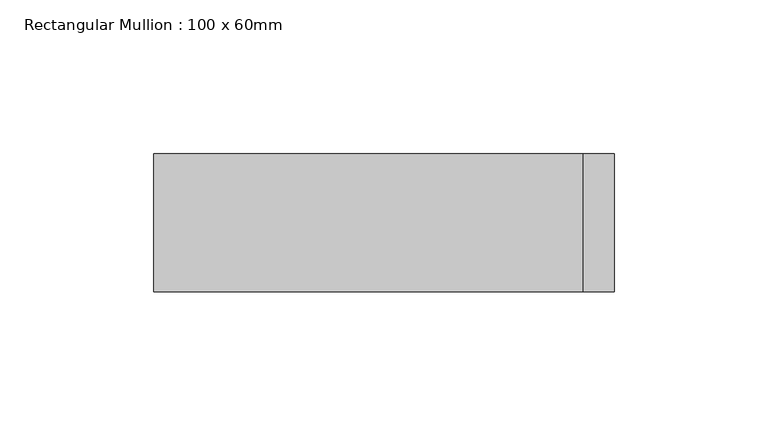
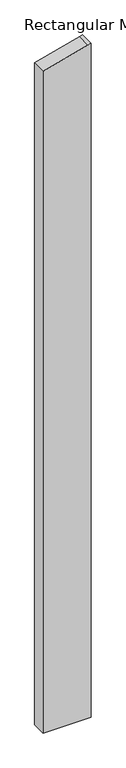
"""IFC4 building model written with IfcOpenShell, lengths in millimetres: member geometry, Rectangular Mullion : 100 x 60mm."""

import ifcopenshell
import ifcopenshell.guid

model = None  # the IFC model being written
_history = None  # IfcOwnerHistory: only IFC2X3 demands one
_inside = {}  # id of a spatial element -> (the spatial element, [elements in it])
_under = {}  # id of a project, library or spatial element -> (it, [spatial elements below it])
_declared = {}  # id of a project -> (the project, [libraries it declares])
_typed = {}  # id of a type object -> (the type object, [elements of that type])
_made_of = {}  # id of a material, layer set ... -> (it, [elements and type objects made of it])


def new_model(schema):
    """Start an empty IFC model of exactly this schema.

    Asked for "IFC4X3", IfcOpenShell would pick the latest addendum, in which some entities
    have other attributes; the version numbers below select the first issue.
    IFC2X3 requires an IfcOwnerHistory on every rooted entity: one is made here for all.
    """
    global model, _history
    if schema == "IFC4X3":
        model = ifcopenshell.file(schema_version=(4, 3, 0, 0))
    else:
        model = ifcopenshell.file(schema=schema)
    _inside.clear()
    _under.clear()
    _declared.clear()
    _typed.clear()
    _made_of.clear()
    _history = None
    if model.schema == "IFC2X3":
        org = make("IfcOrganization", Name="unknown")
        user = make(
            "IfcPersonAndOrganization",
            ThePerson=make("IfcPerson", FamilyName="unknown"),
            TheOrganization=org,
        )
        app = make(
            "IfcApplication",
            ApplicationDeveloper=org,
            Version="unknown",
            ApplicationFullName="unknown",
            ApplicationIdentifier="unknown",
        )
        _history = make(
            "IfcOwnerHistory",
            OwningUser=user,
            OwningApplication=app,
            ChangeAction="ADDED",
            CreationDate=0,
        )
    return model


def make(cls, **values):
    """One entity of the class cls with the attributes given. An attribute that is None is left unset."""
    return model.create_entity(
        cls, **{name: value for name, value in values.items() if value is not None}
    )


def rooted(cls, **values):
    """An entity with a GlobalId (a new one), such as an element, a storey or a relation."""
    return make(cls, GlobalId=ifcopenshell.guid.new(), OwnerHistory=_history, **values)


def si_unit(unit_type, name, prefix=None):
    """IfcSIUnit, for example si_unit("LENGTHUNIT", "METRE", prefix="MILLI")."""
    return make("IfcSIUnit", UnitType=unit_type, Prefix=prefix, Name=name)


def assignment(units):
    """IfcUnitAssignment: the units of a project."""
    return None if units is None else make("IfcUnitAssignment", Units=units)


def point(xyz):
    """IfcCartesianPoint."""
    return None if xyz is None else make("IfcCartesianPoint", Coordinates=xyz)


def direction(xyz):
    """IfcDirection."""
    return None if xyz is None else make("IfcDirection", DirectionRatios=xyz)


def frame(location, z_axis=None, x_axis=None):
    """IfcAxis2Placement3D, a coordinate frame: its origin and axes. An axis left out is left unset."""
    return make(
        "IfcAxis2Placement3D",
        Location=point(location),
        Axis=direction(z_axis),
        RefDirection=direction(x_axis),
    )


def origin():
    """The frame at (0, 0, 0) with its axes left unset."""
    return frame((0.0, 0.0, 0.0))


def place(relative_to, where):
    """IfcLocalPlacement: puts the frame where relative to a parent placement (None: the world)."""
    return make(
        "IfcLocalPlacement", PlacementRelTo=relative_to, RelativePlacement=where
    )


def context(
    kind, dimensions, precision=None, world=None, true_north=None, identifier=None
):
    """IfcGeometricRepresentationContext, for example the 3D "Model" context."""
    return make(
        "IfcGeometricRepresentationContext",
        ContextIdentifier=identifier,
        ContextType=kind,
        CoordinateSpaceDimension=dimensions,
        Precision=precision,
        WorldCoordinateSystem=world,
        TrueNorth=true_north,
    )


def project(units=None, contexts=None):
    """IfcProject with its units and contexts."""
    return rooted(
        "IfcProject",
        Name="project",
        RepresentationContexts=contexts,
        UnitsInContext=assignment(units),
    )


def spatial(cls, under=None, at=None, **own):
    """A site, building, storey or space (cls), placed at a placement, below another one or the project."""
    s = rooted(cls, ObjectPlacement=at, **own)
    if under is not None:
        _under.setdefault(under.id(), (under, []))[1].append(s)
    return s


def polyline(points):
    """IfcPolyline through the points."""
    return make("IfcPolyline", Points=[point(p) for p in points])


def outline(outer, holes=None, kind="AREA"):
    """IfcArbitraryClosedProfileDef: a profile drawn as a closed curve; with holes, ...WithVoids."""
    if holes is None:
        return make("IfcArbitraryClosedProfileDef", ProfileType=kind, OuterCurve=outer)
    return make(
        "IfcArbitraryProfileDefWithVoids",
        ProfileType=kind,
        OuterCurve=outer,
        InnerCurves=holes,
    )


def extrude(swept, where, along, depth):
    """IfcExtrudedAreaSolid: the profile swept, set in the frame where, extruded along a direction by depth."""
    return make(
        "IfcExtrudedAreaSolid",
        SweptArea=swept,
        Position=where,
        ExtrudedDirection=direction(along),
        Depth=depth,
    )


def shape(context_of_items, identifier, shape_type, items):
    """IfcShapeRepresentation: the items that make up one representation, for example the "Body"."""
    return make(
        "IfcShapeRepresentation",
        ContextOfItems=context_of_items,
        RepresentationIdentifier=identifier,
        RepresentationType=shape_type,
        Items=items,
    )


def source(mapping_origin, context_of_items, identifier, shape_type, items):
    """IfcRepresentationMap: a shape defined once, which mapped items show again and again."""
    return make(
        "IfcRepresentationMap",
        MappingOrigin=mapping_origin,
        MappedRepresentation=shape(context_of_items, identifier, shape_type, items),
    )


def transform(
    local_origin,
    x_axis=None,
    y_axis=None,
    z_axis=None,
    scale=None,
    scale2=None,
    scale3=None,
    uniform=True,
):
    """IfcCartesianTransformationOperator3D, or its non-uniform kind. x_axis, y_axis, z_axis: its Axis1, 2, 3."""
    if uniform:
        return make(
            "IfcCartesianTransformationOperator3D",
            Axis1=direction(x_axis),
            Axis2=direction(y_axis),
            LocalOrigin=point(local_origin),
            Scale=scale,
            Axis3=direction(z_axis),
        )
    return make(
        "IfcCartesianTransformationOperator3DnonUniform",
        Axis1=direction(x_axis),
        Axis2=direction(y_axis),
        LocalOrigin=point(local_origin),
        Scale=scale,
        Axis3=direction(z_axis),
        Scale2=scale2,
        Scale3=scale3,
    )


def mapped(mapping_source, mapping_target):
    """IfcMappedItem: shows the shape of a source again, moved by a transform."""
    return make(
        "IfcMappedItem", MappingSource=mapping_source, MappingTarget=mapping_target
    )


def made_of(thing, what):
    """Note that an element or type object is made of a material, layer set ...; save() writes the relation."""
    if what is not None:
        _made_of.setdefault(what.id(), (what, []))[1].append(thing)
    return thing


def element(
    cls,
    number,
    at=None,
    inside=None,
    cuts=None,
    type_object=None,
    material=None,
    context=None,
    identifier="Body",
    shape_type=None,
    held_by="IfcProductDefinitionShape",
    body=None,
    shapes=None,
    **own,
):
    """One element of the class cls, such as IfcWall. Its Tag is "e" and its number.

    at: its placement. inside: the storey or other place that contains it. cuts: it is an
    opening in that element (IfcRelVoidsElement). A single representation is given by context,
    identifier, shape_type and body (its items); several are given by shapes. held_by: the class
    of the entity that holds the representations. save() writes the other relations.
    """
    e = rooted(cls, Tag="e%d" % number, ObjectPlacement=at, **own)
    if body is not None:
        shapes = [shape(context, identifier, shape_type, body)]
    if shapes is not None:
        e.Representation = make(held_by, Representations=shapes)
    if inside is not None:
        _inside.setdefault(inside.id(), (inside, []))[1].append(e)
    if cuts is not None:
        rooted(
            "IfcRelVoidsElement", RelatingBuildingElement=cuts, RelatedOpeningElement=e
        )
    if type_object is not None:
        _typed.setdefault(type_object.id(), (type_object, []))[1].append(e)
    return made_of(e, material)


def aggregate(whole, parts):
    """IfcRelAggregates: a whole, such as a stair, and the parts it consists of."""
    return rooted("IfcRelAggregates", RelatingObject=whole, RelatedObjects=parts)


def save(model, path):
    """Write the relations noted so far, then the file.

    IfcRelAggregates (storeys below a building ...), IfcRelContainedInSpatialStructure (elements
    in a storey), IfcRelDefinesByType, IfcRelAssociatesMaterial and IfcRelDeclares: one each for
    every whole, place, type object, material and project.
    """
    for whole, parts in _under.values():
        aggregate(whole, parts)
    for where, things in _inside.values():
        rooted(
            "IfcRelContainedInSpatialStructure",
            RelatedElements=things,
            RelatingStructure=where,
        )
    for kind, things in _typed.values():
        rooted("IfcRelDefinesByType", RelatedObjects=things, RelatingType=kind)
    for what, things in _made_of.values():
        rooted("IfcRelAssociatesMaterial", RelatedObjects=things, RelatingMaterial=what)
    for by, libraries in _declared.values():
        rooted("IfcRelDeclares", RelatingContext=by, RelatedDefinitions=libraries)
    model.write(path)


def rectangular_mullion_100_x_60mm_fe1a5433(model_context):
    return source(origin(), model_context, "Body", "SweptSolid", [
        extrude(outline(polyline([(-238.7228557, 75.0), (-241.4814566, 64.7047613), (-278.9152345, -75.0), (-2466.1345845, -75.0), (-2466.1345845, 75.0), (-238.7228557, 75.0)])), frame((0.0, -15.0, 0.0), z_axis=(0.0, 1.0, 0.0), x_axis=(0.0, 0.0, 1.0)), (0.0, 0.0, 1.0), 45.0),
    ])


if __name__ == "__main__":
    model = new_model("IFC4")
    model_context = context("Model", 3, world=origin())
    ifc_project = project(units=[si_unit("LENGTHUNIT", "METRE", prefix="MILLI")], contexts=[model_context])
    site = spatial("IfcSite", under=ifc_project)
    building = spatial("IfcBuilding", under=site)
    placement = place(None, origin())
    rectangular_mullion_100_x_60mm_shape = rectangular_mullion_100_x_60mm_fe1a5433(model_context)
    element("IfcMember", 1, ObjectType="Rectangular Mullion : 100 x 60mm", at=placement, inside=building, context=model_context, shape_type="MappedRepresentation", body=[
        mapped(rectangular_mullion_100_x_60mm_shape, transform((0.0, 0.0, 0.0), x_axis=(1.0, 0.0, 0.0), y_axis=(0.0, 1.0, 0.0), z_axis=(0.0, 0.0, 1.0))),
    ])
    save(model, "model.ifc")
